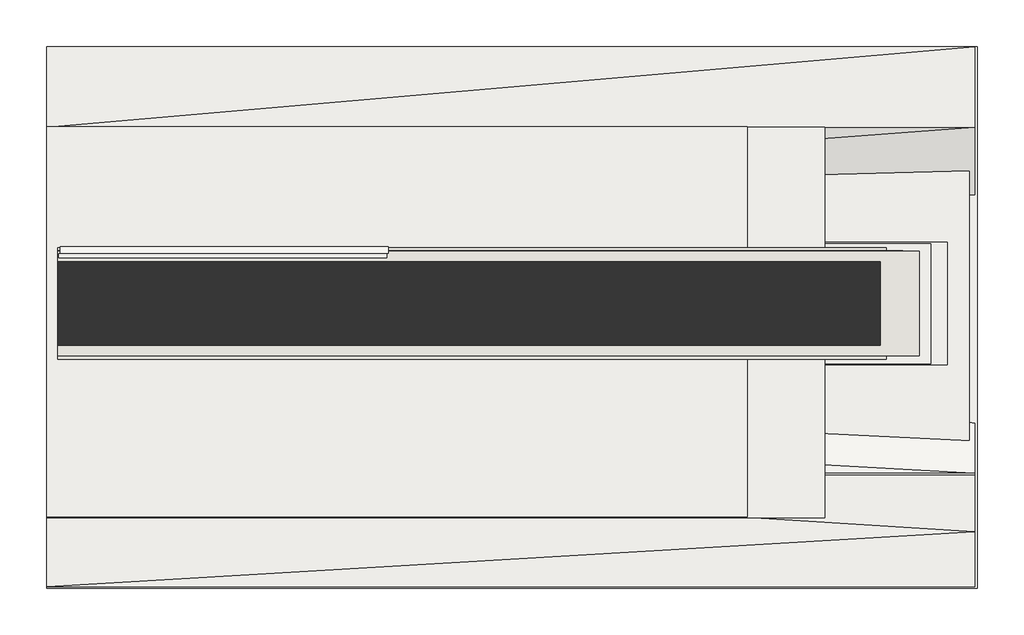
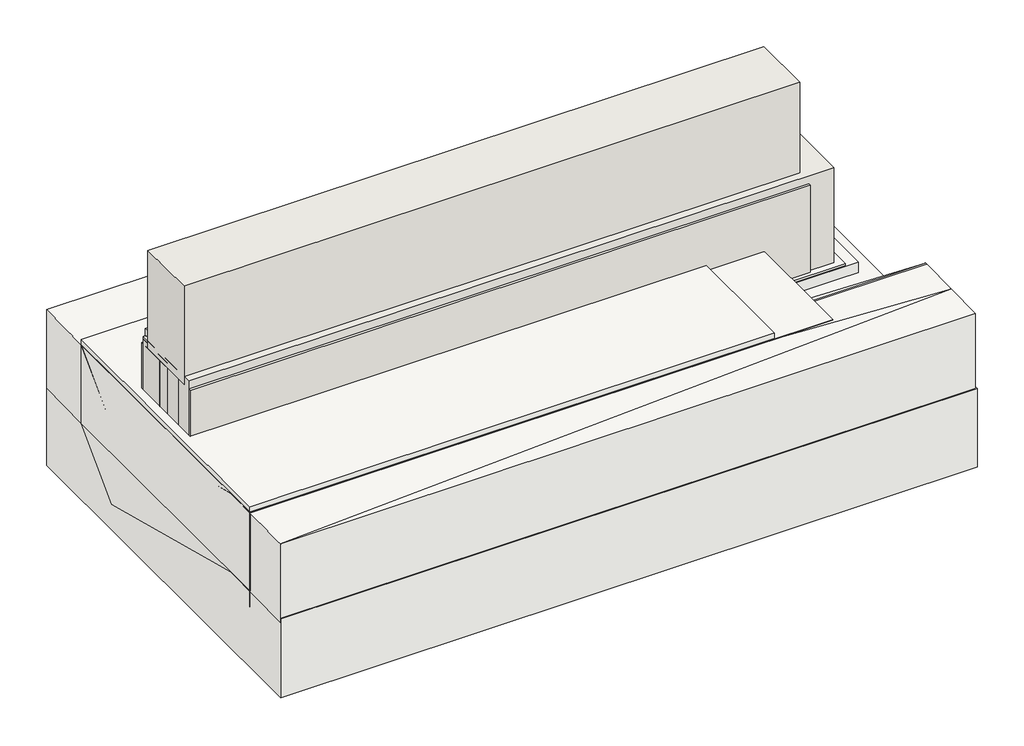
# One storey: 8 slabs, 6 walls, 2 coverings.
"""IFC4 building model written with IfcOpenShell, lengths in millimetres."""

import ifcopenshell
import ifcopenshell.guid

model = None  # the IFC model being written
_history = None  # IfcOwnerHistory: only IFC2X3 demands one
_inside = {}  # id of a spatial element -> (the spatial element, [elements in it])
_under = {}  # id of a project, library or spatial element -> (it, [spatial elements below it])
_declared = {}  # id of a project -> (the project, [libraries it declares])
_typed = {}  # id of a type object -> (the type object, [elements of that type])
_made_of = {}  # id of a material, layer set ... -> (it, [elements and type objects made of it])


def new_model(schema):
    """Start an empty IFC model of exactly this schema.

    Asked for "IFC4X3", IfcOpenShell would pick the latest addendum, in which some entities
    have other attributes; the version numbers below select the first issue.
    IFC2X3 requires an IfcOwnerHistory on every rooted entity: one is made here for all.
    """
    global model, _history
    if schema == "IFC4X3":
        model = ifcopenshell.file(schema_version=(4, 3, 0, 0))
    else:
        model = ifcopenshell.file(schema=schema)
    _inside.clear()
    _under.clear()
    _declared.clear()
    _typed.clear()
    _made_of.clear()
    _history = None
    if model.schema == "IFC2X3":
        org = make("IfcOrganization", Name="unknown")
        user = make(
            "IfcPersonAndOrganization",
            ThePerson=make("IfcPerson", FamilyName="unknown"),
            TheOrganization=org,
        )
        app = make(
            "IfcApplication",
            ApplicationDeveloper=org,
            Version="unknown",
            ApplicationFullName="unknown",
            ApplicationIdentifier="unknown",
        )
        _history = make(
            "IfcOwnerHistory",
            OwningUser=user,
            OwningApplication=app,
            ChangeAction="ADDED",
            CreationDate=0,
        )
    return model


def make(cls, **values):
    """One entity of the class cls with the attributes given. An attribute that is None is left unset."""
    return model.create_entity(
        cls, **{name: value for name, value in values.items() if value is not None}
    )


def rooted(cls, **values):
    """An entity with a GlobalId (a new one), such as an element, a storey or a relation."""
    return make(cls, GlobalId=ifcopenshell.guid.new(), OwnerHistory=_history, **values)


def si_unit(unit_type, name, prefix=None):
    """IfcSIUnit, for example si_unit("LENGTHUNIT", "METRE", prefix="MILLI")."""
    return make("IfcSIUnit", UnitType=unit_type, Prefix=prefix, Name=name)


def assignment(units):
    """IfcUnitAssignment: the units of a project."""
    return None if units is None else make("IfcUnitAssignment", Units=units)


def point(xyz):
    """IfcCartesianPoint."""
    return None if xyz is None else make("IfcCartesianPoint", Coordinates=xyz)


def direction(xyz):
    """IfcDirection."""
    return None if xyz is None else make("IfcDirection", DirectionRatios=xyz)


def frame(location, z_axis=None, x_axis=None):
    """IfcAxis2Placement3D, a coordinate frame: its origin and axes. An axis left out is left unset."""
    return make(
        "IfcAxis2Placement3D",
        Location=point(location),
        Axis=direction(z_axis),
        RefDirection=direction(x_axis),
    )


def origin():
    """The frame at (0, 0, 0) with its axes left unset."""
    return frame((0.0, 0.0, 0.0))


def place(relative_to, where):
    """IfcLocalPlacement: puts the frame where relative to a parent placement (None: the world)."""
    return make(
        "IfcLocalPlacement", PlacementRelTo=relative_to, RelativePlacement=where
    )


def context(
    kind, dimensions, precision=None, world=None, true_north=None, identifier=None
):
    """IfcGeometricRepresentationContext, for example the 3D "Model" context."""
    return make(
        "IfcGeometricRepresentationContext",
        ContextIdentifier=identifier,
        ContextType=kind,
        CoordinateSpaceDimension=dimensions,
        Precision=precision,
        WorldCoordinateSystem=world,
        TrueNorth=true_north,
    )


def project(units=None, contexts=None):
    """IfcProject with its units and contexts."""
    return rooted(
        "IfcProject",
        Name="project",
        RepresentationContexts=contexts,
        UnitsInContext=assignment(units),
    )


def spatial(cls, under=None, at=None, **own):
    """A site, building, storey or space (cls), placed at a placement, below another one or the project."""
    s = rooted(cls, ObjectPlacement=at, **own)
    if under is not None:
        _under.setdefault(under.id(), (under, []))[1].append(s)
    return s


def polyline(points):
    """IfcPolyline through the points."""
    return make("IfcPolyline", Points=[point(p) for p in points])


def outline(outer, holes=None, kind="AREA"):
    """IfcArbitraryClosedProfileDef: a profile drawn as a closed curve; with holes, ...WithVoids."""
    if holes is None:
        return make("IfcArbitraryClosedProfileDef", ProfileType=kind, OuterCurve=outer)
    return make(
        "IfcArbitraryProfileDefWithVoids",
        ProfileType=kind,
        OuterCurve=outer,
        InnerCurves=holes,
    )


def extrude(swept, where, along, depth):
    """IfcExtrudedAreaSolid: the profile swept, set in the frame where, extruded along a direction by depth."""
    return make(
        "IfcExtrudedAreaSolid",
        SweptArea=swept,
        Position=where,
        ExtrudedDirection=direction(along),
        Depth=depth,
    )


def faces_of(points, faces, orient=None, outer=None):
    """IfcFace entities. A face is a list of loops; a loop is a list of indices into points, from 0.

    orient and outer hold one flag for each loop. By default every Orientation is true, the
    first loop of a face is its IfcFaceOuterBound and the others are IfcFaceBound.
    """
    made = []
    for i, loops in enumerate(faces):
        bounds = []
        for j, loop in enumerate(loops):
            is_outer = j == 0 if outer is None else outer[i][j]
            bounds.append(
                make(
                    "IfcFaceOuterBound" if is_outer else "IfcFaceBound",
                    Bound=make("IfcPolyLoop", Polygon=[points[k] for k in loop]),
                    Orientation=True if orient is None else orient[i][j],
                )
            )
        made.append(make("IfcFace", Bounds=bounds))
    return made


def faceted_brep(points, faces, orient=None, outer=None, voids=None):
    """IfcFacetedBrep: a solid bounded by flat faces; with voids (closed shells), ...WithVoids."""
    shared = [point(p) for p in points]
    hull = make("IfcClosedShell", CfsFaces=faces_of(shared, faces, orient, outer))
    if voids is None:
        return make("IfcFacetedBrep", Outer=hull)
    return make(
        "IfcFacetedBrepWithVoids",
        Outer=hull,
        Voids=[
            make(cls, CfsFaces=faces_of(shared, fs, o, b)) for cls, fs, o, b in voids
        ],
    )


def shape(context_of_items, identifier, shape_type, items):
    """IfcShapeRepresentation: the items that make up one representation, for example the "Body"."""
    return make(
        "IfcShapeRepresentation",
        ContextOfItems=context_of_items,
        RepresentationIdentifier=identifier,
        RepresentationType=shape_type,
        Items=items,
    )


def made_of(thing, what):
    """Note that an element or type object is made of a material, layer set ...; save() writes the relation."""
    if what is not None:
        _made_of.setdefault(what.id(), (what, []))[1].append(thing)
    return thing


def element(
    cls,
    number,
    at=None,
    inside=None,
    cuts=None,
    type_object=None,
    material=None,
    context=None,
    identifier="Body",
    shape_type=None,
    held_by="IfcProductDefinitionShape",
    body=None,
    shapes=None,
    **own,
):
    """One element of the class cls, such as IfcWall. Its Tag is "e" and its number.

    at: its placement. inside: the storey or other place that contains it. cuts: it is an
    opening in that element (IfcRelVoidsElement). A single representation is given by context,
    identifier, shape_type and body (its items); several are given by shapes. held_by: the class
    of the entity that holds the representations. save() writes the other relations.
    """
    e = rooted(cls, Tag="e%d" % number, ObjectPlacement=at, **own)
    if body is not None:
        shapes = [shape(context, identifier, shape_type, body)]
    if shapes is not None:
        e.Representation = make(held_by, Representations=shapes)
    if inside is not None:
        _inside.setdefault(inside.id(), (inside, []))[1].append(e)
    if cuts is not None:
        rooted(
            "IfcRelVoidsElement", RelatingBuildingElement=cuts, RelatedOpeningElement=e
        )
    if type_object is not None:
        _typed.setdefault(type_object.id(), (type_object, []))[1].append(e)
    return made_of(e, material)


def aggregate(whole, parts):
    """IfcRelAggregates: a whole, such as a stair, and the parts it consists of."""
    return rooted("IfcRelAggregates", RelatingObject=whole, RelatedObjects=parts)


def save(model, path):
    """Write the relations noted so far, then the file.

    IfcRelAggregates (storeys below a building ...), IfcRelContainedInSpatialStructure (elements
    in a storey), IfcRelDefinesByType, IfcRelAssociatesMaterial and IfcRelDeclares: one each for
    every whole, place, type object, material and project.
    """
    for whole, parts in _under.values():
        aggregate(whole, parts)
    for where, things in _inside.values():
        rooted(
            "IfcRelContainedInSpatialStructure",
            RelatedElements=things,
            RelatingStructure=where,
        )
    for kind, things in _typed.values():
        rooted("IfcRelDefinesByType", RelatedObjects=things, RelatingType=kind)
    for what, things in _made_of.values():
        rooted("IfcRelAssociatesMaterial", RelatedObjects=things, RelatingMaterial=what)
    for by, libraries in _declared.values():
        rooted("IfcRelDeclares", RelatingContext=by, RelatedDefinitions=libraries)
    model.write(path)


def plane_surface(at):
    """IfcPlane: the flat surface through the origin of the frame at, square to its z axis."""
    return make("IfcPlane", Position=at)


def spline_surface(u_degree, v_degree, points, u_multiplicities, v_multiplicities, u_knots, v_knots, weights=None):
    """IfcBSplineSurfaceWithKnots; with weights, IfcRationalBSplineSurfaceWithKnots. points: one row for each step in u."""
    own = dict(
        UDegree=u_degree,
        VDegree=v_degree,
        ControlPointsList=[[point(p) for p in row] for row in points],
        SurfaceForm="UNSPECIFIED",
        UClosed=False,
        VClosed=False,
        SelfIntersect=False,
        UMultiplicities=u_multiplicities,
        VMultiplicities=v_multiplicities,
        UKnots=u_knots,
        VKnots=v_knots,
        KnotSpec="UNSPECIFIED",
    )
    if weights is None:
        return make("IfcBSplineSurfaceWithKnots", **own)
    return make("IfcRationalBSplineSurfaceWithKnots", WeightsData=weights, **own)


def advanced_brep(points, edges, surfaces, faces):
    """IfcAdvancedBrep: a solid bounded by faces that lie on surfaces and meet in shared edges.

    An edge is (start, end): straight between two places in points (the first is 0);
    or (start, end, curve); or (start, end, curve, False) where it runs against its curve.
    A face is (place in surfaces, loops), or (place, loops, False) where it looks against
    its surface's normal. A loop lists edges by number (the first is 1), with a minus sign
    where the edge is run from its end to its start. The first loop is the outer one.
    """
    corners = [point(p) for p in points]
    vertices = [make("IfcVertexPoint", VertexGeometry=c) for c in corners]
    made = []
    for start, end, *more in edges:
        made.append(
            make(
                "IfcEdgeCurve",
                EdgeStart=vertices[start],
                EdgeEnd=vertices[end],
                EdgeGeometry=more[0] if more else make("IfcPolyline", Points=[corners[start], corners[end]]),
                SameSense=more[1] if len(more) > 1 else True,
            )
        )
    hull = []
    for where, loops, *sense in faces:
        bounds = []
        for j, loop in enumerate(loops):
            ring = [make("IfcOrientedEdge", EdgeElement=made[abs(k) - 1], Orientation=k > 0) for k in loop]
            bounds.append(
                make(
                    "IfcFaceOuterBound" if j == 0 else "IfcFaceBound",
                    Bound=make("IfcEdgeLoop", EdgeList=ring),
                    Orientation=True,
                )
            )
        hull.append(make("IfcAdvancedFace", Bounds=bounds, FaceSurface=surfaces[where], SameSense=sense[0] if sense else True))
    return make("IfcAdvancedBrep", Outer=make("IfcClosedShell", CfsFaces=hull))


model = new_model("IFC4")

# Units and contexts
model_context = context("Model", 3, world=origin())
ifc_project = project(units=[si_unit("LENGTHUNIT", "METRE", prefix="MILLI")], contexts=[model_context])

# Site, building, storey
site = spatial("IfcSite", under=ifc_project)
building = spatial("IfcBuilding", under=site)
storey = spatial("IfcBuildingStorey", under=building, Elevation=0.0)

# Coverings
placement = place(None, origin())
element("IfcCovering", 1, at=placement, inside=storey, context=model_context, shape_type="SweptSolid", body=[
    extrude(outline(polyline([(17316.6224583, -378.5059483), (17316.6224583, -1970.3936665), (14002.8301946, -1970.3936665), (14002.8301946, -378.5059483), (17316.6224583, -378.5059483)])), frame((0.0, 0.0, 308.0), z_axis=(0.0, 0.0, 1.0), x_axis=(1.0, 0.0, 0.0)), (0.0, 0.0, 1.0), 57.0),
])
element("IfcCovering", 2, at=placement, inside=storey, context=model_context, shape_type="SweptSolid", body=[
    extrude(outline(polyline([(17176.6224583, -907.1220806), (17176.6224583, -1338.9315668), (14102.8301946, -1338.9315668), (14102.8301946, -907.1220806), (17176.6224583, -907.1220806)])), frame((0.0, 0.0, 504.9076448), z_axis=(0.0, 0.0, 1.0), x_axis=(1.0, 0.0, 0.0)), (0.0, 0.0, 1.0), 52.0),
])

# Slabs
element("IfcSlab", 3, at=placement, inside=storey, context=model_context, shape_type="SweptSolid", body=[
    extrude(outline(polyline([(13996.2736297, -488.0914689), (16796.3087754, -488.0914689), (16796.3087754, -1892.1220806), (13996.2736297, -1892.1220806), (13996.2736297, -488.0914689)])), frame((0.0, 0.0, 340.0), z_axis=(0.0, 0.0, 1.0), x_axis=(1.0, 0.0, 0.0)), (0.0, 0.0, 1.0), 400.0),
])
element("IfcSlab", 4, at=placement, inside=storey, context=model_context, shape_type="SweptSolid", body=[
    extrude(outline(polyline([(14355.6046332, -488.0914689), (17315.935889, -488.0914689), (17315.935889, -1928.799715), (14355.6046332, -1928.799715), (14355.6046332, -488.0914689)])), frame((0.0, 0.0, 235.6298464), z_axis=(0.0, 0.0, 1.0), x_axis=(1.0, 0.0, 0.0)), (0.0, 0.0, 1.0), 255.0),
])
element("IfcSlab", 5, at=placement, inside=storey, context=model_context, shape_type="SweptSolid", body=[
    extrude(outline(polyline([(17236.6224583, -902.5619671), (17236.6224583, -1342.1220806), (14038.593012, -1342.1220806), (14038.593012, -902.5619671), (17236.6224583, -902.5619671)])), frame((0.0, 0.0, 335.0), z_axis=(0.0, 0.0, 1.0), x_axis=(1.0, 0.0, 0.0)), (0.0, 0.0, 1.0), 210.0),
])
element("IfcSlab", 6, at=placement, inside=storey, context=model_context, shape_type="Brep", body=[
    faceted_brep([(17336.6224583, -197.6376443, 340.0), (17336.6224583, -197.6376443, 740.0), (17336.6224583, -488.0914689, 740.0), (17336.6224583, -738.6969495, 340.0), (17336.6224583, -1352.8922995, 340.0), (17336.6224583, -1546.24913, 340.0), (17336.6224583, -1732.3055048, 740.0), (17336.6224583, -1739.6059606, 740.0), (17336.6224583, -1943.0938872, 735.8807445), (17336.6224583, -2141.864267, 731.761489), (17336.6224583, -2141.864267, 331.761489), (17336.6224583, -1943.0938872, 335.8807445), (17336.6224583, -1739.6059606, 340.0), (17336.6224583, -1732.3055048, 340.0), (17336.6224583, -1546.24913, -60.0), (17336.6224583, -1352.8922995, -60.0), (17336.6224583, -738.6969495, -60.0), (17336.6224583, -488.0914689, 340.0), (13996.2912026, -2141.864267, 731.761489), (13996.2912026, -2141.864267, 331.761489), (13996.2912026, -1732.3055048, 740.0), (13996.2912026, -1546.24913, 691.5057611), (13996.2912026, -738.6969495, 481.023167), (13996.2912026, -488.0914689, 740.0), (13996.2912026, -197.6376443, 744.429783), (13996.2912026, -197.6376443, 344.429783), (13996.2912026, -488.0914689, 340.0), (13996.2912026, -738.6969495, 81.023167), (13996.2912026, -1546.24913, 291.5057611), (13996.2912026, -1732.3055048, 340.0)], [[[0, 1, 2, 3, 4, 5, 6, 7, 8, 9, 10, 11, 12, 13, 14, 15, 16, 17]], [[10, 9, 18, 19]], [[19, 18, 20, 21, 22, 23, 24, 25, 26, 27, 28, 29]], [[25, 24, 1, 0]], [[18, 9, 8]], [[19, 11, 10]], [[18, 8, 20]], [[19, 29, 11]], [[7, 6, 20]], [[7, 20, 8]], [[12, 29, 13]], [[12, 11, 29]], [[6, 21, 20]], [[4, 21, 5]], [[5, 21, 6]], [[13, 29, 28]], [[15, 14, 28]], [[14, 13, 28]], [[4, 3, 22]], [[15, 27, 16]], [[24, 23, 1]], [[1, 23, 2]], [[25, 0, 26]], [[0, 17, 26]], [[2, 23, 22]], [[4, 22, 21]], [[17, 27, 26]], [[15, 28, 27]], [[2, 22, 3]], [[17, 16, 27]]]),
])
element("IfcSlab", 7, at=placement, inside=storey, context=model_context, shape_type="SweptSolid", body=[
    extrude(outline(polyline([(13996.2736297, -197.6376443), (17345.4956917, -197.6376443), (17345.4956917, -2145.6821612), (13996.2736297, -2145.6821612), (13996.2736297, -197.6376443)])), frame((0.0, 0.0, -48.0677918), z_axis=(0.0, 0.0, 1.0), x_axis=(1.0, 0.0, 0.0)), (0.0, 0.0, 1.0), 400.0),
])
element("IfcSlab", 8, at=placement, inside=storey, context=model_context, shape_type="SweptSolid", body=[
    extrude(outline(polyline([(-943.5005537, 1050.6147834), (-957.1220806, 1050.6147834), (-957.1220806, 1082.7727911), (-943.5005537, 1082.9359538), (-943.5005537, 1050.6147834)])), frame((14040.7506837, 0.0, 0.0), z_axis=(1.0, 0.0, 0.0), x_axis=(0.0, 1.0, 0.0)), (0.0, 0.0, 1.0), 1180.0),
])
element("IfcSlab", 9, at=placement, inside=storey, context=model_context, shape_type="AdvancedBrep", body=[
    advanced_brep(
    [(14045.0648787, -917.2857211, 985.0), (15225.0648787, -917.2857211, 985.0), (15225.0648787, -940.6719989, 985.0), (14045.0648787, -940.6719989, 985.0), (15225.0648787, -917.2857211, 1017.3211704), (15225.0648787, -940.6719989, 1050.6147834), (14045.0648787, -940.6719989, 1053.1467845), (14045.0648787, -917.2857211, 1017.3211704)],
    [
        (0, 1),
        (1, 2),
        (2, 3),
        (3, 0),
        (1, 4),
        (4, 5),
        (5, 2),
        (5, 6),
        (6, 3),
        (6, 7),
        (7, 0),
        (7, 4),
    ],
    [
        plane_surface(frame((15225.0648787, -917.2857211, 985.0), z_axis=(0.0, 0.0, -1.0), x_axis=(1.0, 0.0, 0.0))),
        plane_surface(frame((15225.0648787, -917.2857211, 985.0), z_axis=(1.0, 0.0, 0.0), x_axis=(0.0, 0.0, 1.0))),
        plane_surface(frame((15225.0648787, -940.6719989, 985.0), z_axis=(0.0, -1.0, 0.0), x_axis=(0.0, 0.0, 1.0))),
        plane_surface(frame((14045.0648787, -940.6719989, 985.0), z_axis=(-1.0, 0.0, 0.0), x_axis=(0.0, 0.0, 1.0))),
        plane_surface(frame((14045.0648787, -917.2857211, 985.0), z_axis=(0.0, 1.0, 0.0), x_axis=(0.0, 0.0, 1.0))),
        spline_surface(1, 1, [[(15225.0648787, -940.6719989, 1050.6147834), (14045.0648787, -940.6719989, 1053.1467845)], [(15225.0648787, -917.2857211, 1017.3211704), (14045.0648787, -917.2857211, 1017.3211704)]], [2, 2], [2, 2], [0.0, 1.0], [0.0, 1.0]),
    ],
    [
        (0, [[1, 2, 3, 4]]),
        (1, [[-2, 5, 6, 7]]),
        (2, [[-3, -7, 8, 9]]),
        (3, [[-4, -9, 10, 11]]),
        (4, [[-1, -11, 12, -5]]),
        (5, [[-8, -6, -12, -10]]),
    ],
),
])
element("IfcSlab", 10, at=placement, inside=storey, context=model_context, shape_type="SweptSolid", body=[
    extrude(outline(polyline([(13996.2736297, -1889.9124584), (13996.2736297, -485.8818467), (16516.6224583, -485.8818467), (16516.6224583, -1889.9124584), (13996.2736297, -1889.9124584)])), frame((0.0, 0.0, 256.9005332), z_axis=(0.0, 0.0, 1.0), x_axis=(1.0, 0.0, 0.0)), (0.0, 0.0, 1.0), 510.0),
])

# Walls
element("IfcWall", 11, at=placement, inside=storey, context=model_context, shape_type="SweptSolid", body=[
    extrude(outline(polyline([(14036.6224583, -972.1220806), (16996.6224583, -972.1220806), (16996.6224583, -1272.1220806), (14036.6224583, -1272.1220806), (14036.6224583, -972.1220806)])), frame((0.0, 0.0, 1000.0), z_axis=(0.0, 0.0, 1.0), x_axis=(1.0, 0.0, 0.0)), (0.0, 0.0, 1.0), 500.0),
])
element("IfcWall", 12, at=placement, inside=storey, context=model_context, shape_type="SweptSolid", body=[
    extrude(outline(polyline([(17076.6224583, -1132.1220806), (14036.6224583, -1132.1220806), (14036.6224583, -932.1220806), (17076.6224583, -932.1220806), (17076.6224583, -1132.1220806)])), frame((0.0, 0.0, 490.6298464), z_axis=(0.0, 0.0, 1.0), x_axis=(1.0, 0.0, 0.0)), (0.0, 0.0, 1.0), 534.3701536),
])
element("IfcWall", 13, at=placement, inside=storey, context=model_context, shape_type="SweptSolid", body=[
    extrude(outline(polyline([(14036.6224583, -1022.1220806), (17016.6224583, -1022.1220806), (17016.6224583, -1222.1220806), (14036.6224583, -1222.1220806), (14036.6224583, -1022.1220806)])), frame((0.0, 0.0, 490.6298464), z_axis=(0.0, 0.0, 1.0), x_axis=(1.0, 0.0, 0.0)), (0.0, 0.0, 1.0), 509.3701536),
])
element("IfcWall", 14, at=placement, inside=storey, context=model_context, shape_type="SweptSolid", body=[
    extrude(outline(polyline([(14036.6224583, -934.6220806), (17136.6224583, -934.6220806), (17136.6224583, -1309.6220806), (14036.6224583, -1309.6220806), (14036.6224583, -934.6220806)])), frame((0.0, 0.0, 550.0), z_axis=(0.0, 0.0, 1.0), x_axis=(1.0, 0.0, 0.0)), (0.0, 0.0, 1.0), 490.0),
])
element("IfcWall", 15, at=placement, inside=storey, context=model_context, shape_type="SweptSolid", body=[
    extrude(outline(polyline([(14036.6224583, -1172.1220806), (17016.6224583, -1172.1220806), (17016.6224583, -1322.1220806), (14036.6224583, -1322.1220806), (14036.6224583, -1172.1220806)])), frame((0.0, 0.0, 377.0), z_axis=(0.0, 0.0, 1.0), x_axis=(1.0, 0.0, 0.0)), (0.0, 0.0, 1.0), 623.0),
])
element("IfcWall", 16, at=placement, inside=storey, context=model_context, shape_type="SweptSolid", body=[
    extrude(outline(polyline([(17016.6224583, -1072.1220806), (14036.6224583, -1072.1220806), (14036.6224583, -922.1220806), (17016.6224583, -922.1220806), (17016.6224583, -1072.1220806)])), frame((0.0, 0.0, 340.0), z_axis=(0.0, 0.0, 1.0), x_axis=(1.0, 0.0, 0.0)), (0.0, 0.0, 1.0), 660.0),
])

save(model, "model.ifc")
